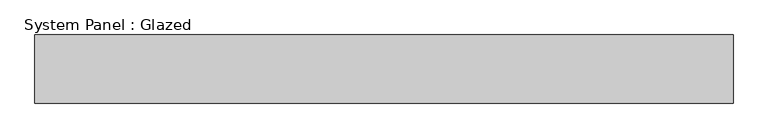
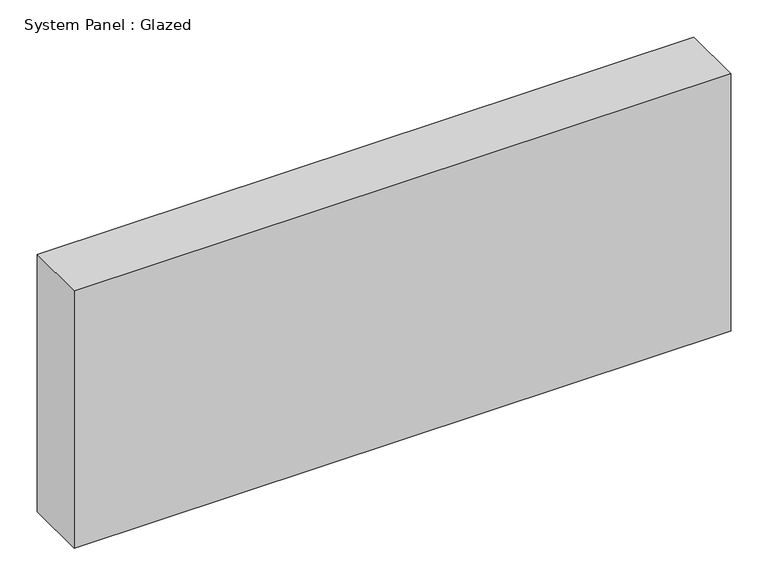
"""IFC4 building model written with IfcOpenShell, lengths in millimetres: plate geometry, System Panel : Glazed."""

from ifc_helpers import new_model, si_unit, origin, origin_with_axes, place, context, project, spatial, polyline, outline, extrude, source, transform, mapped, element, save


def system_panel_glazed_6a12e13f(model_context):
    return source(origin(), model_context, "Body", "SweptSolid", [
        extrude(outline(polyline([(512.5, 50.0), (-512.5, 50.0), (-512.5, 150.0), (512.5, 150.0), (512.5, 50.0)])), origin_with_axes(), (0.0, 0.0, 1.0), 425.0),
    ])


if __name__ == "__main__":
    model = new_model("IFC4")
    model_context = context("Model", 3, world=origin())
    ifc_project = project(units=[si_unit("LENGTHUNIT", "METRE", prefix="MILLI")], contexts=[model_context])
    site = spatial("IfcSite", under=ifc_project)
    building = spatial("IfcBuilding", under=site)
    placement = place(None, origin())
    system_panel_glazed_shape = system_panel_glazed_6a12e13f(model_context)
    element("IfcPlate", 1, ObjectType="System Panel : Glazed", at=placement, inside=building, context=model_context, shape_type="MappedRepresentation", body=[
        mapped(system_panel_glazed_shape, transform((0.0, 0.0, 0.0), x_axis=(1.0, 0.0, 0.0), y_axis=(0.0, 1.0, 0.0), z_axis=(0.0, 0.0, 1.0))),
    ])
    save(model, "model.ifc")
